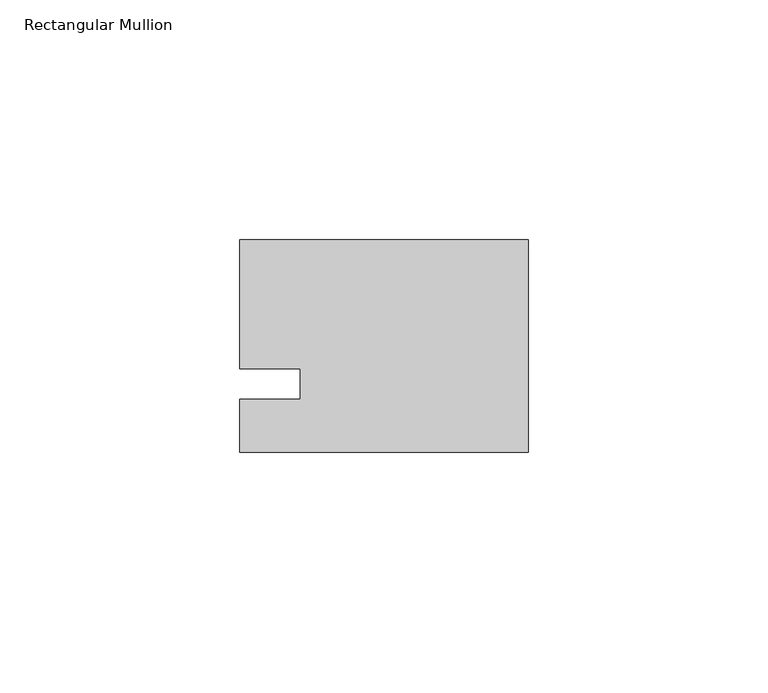
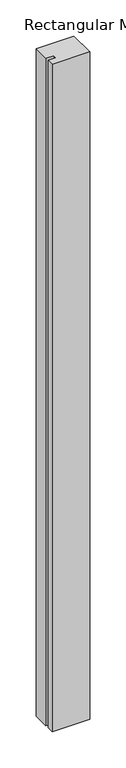
"""IFC4 building model written with IfcOpenShell, lengths in millimetres: member geometry, Rectangular Mullion."""

import ifcopenshell
import ifcopenshell.guid

model = None  # the IFC model being written
_history = None  # IfcOwnerHistory: only IFC2X3 demands one
_inside = {}  # id of a spatial element -> (the spatial element, [elements in it])
_under = {}  # id of a project, library or spatial element -> (it, [spatial elements below it])
_declared = {}  # id of a project -> (the project, [libraries it declares])
_typed = {}  # id of a type object -> (the type object, [elements of that type])
_made_of = {}  # id of a material, layer set ... -> (it, [elements and type objects made of it])


def new_model(schema):
    """Start an empty IFC model of exactly this schema.

    Asked for "IFC4X3", IfcOpenShell would pick the latest addendum, in which some entities
    have other attributes; the version numbers below select the first issue.
    IFC2X3 requires an IfcOwnerHistory on every rooted entity: one is made here for all.
    """
    global model, _history
    if schema == "IFC4X3":
        model = ifcopenshell.file(schema_version=(4, 3, 0, 0))
    else:
        model = ifcopenshell.file(schema=schema)
    _inside.clear()
    _under.clear()
    _declared.clear()
    _typed.clear()
    _made_of.clear()
    _history = None
    if model.schema == "IFC2X3":
        org = make("IfcOrganization", Name="unknown")
        user = make(
            "IfcPersonAndOrganization",
            ThePerson=make("IfcPerson", FamilyName="unknown"),
            TheOrganization=org,
        )
        app = make(
            "IfcApplication",
            ApplicationDeveloper=org,
            Version="unknown",
            ApplicationFullName="unknown",
            ApplicationIdentifier="unknown",
        )
        _history = make(
            "IfcOwnerHistory",
            OwningUser=user,
            OwningApplication=app,
            ChangeAction="ADDED",
            CreationDate=0,
        )
    return model


def make(cls, **values):
    """One entity of the class cls with the attributes given. An attribute that is None is left unset."""
    return model.create_entity(
        cls, **{name: value for name, value in values.items() if value is not None}
    )


def rooted(cls, **values):
    """An entity with a GlobalId (a new one), such as an element, a storey or a relation."""
    return make(cls, GlobalId=ifcopenshell.guid.new(), OwnerHistory=_history, **values)


def si_unit(unit_type, name, prefix=None):
    """IfcSIUnit, for example si_unit("LENGTHUNIT", "METRE", prefix="MILLI")."""
    return make("IfcSIUnit", UnitType=unit_type, Prefix=prefix, Name=name)


def assignment(units):
    """IfcUnitAssignment: the units of a project."""
    return None if units is None else make("IfcUnitAssignment", Units=units)


def point(xyz):
    """IfcCartesianPoint."""
    return None if xyz is None else make("IfcCartesianPoint", Coordinates=xyz)


def direction(xyz):
    """IfcDirection."""
    return None if xyz is None else make("IfcDirection", DirectionRatios=xyz)


def frame(location, z_axis=None, x_axis=None):
    """IfcAxis2Placement3D, a coordinate frame: its origin and axes. An axis left out is left unset."""
    return make(
        "IfcAxis2Placement3D",
        Location=point(location),
        Axis=direction(z_axis),
        RefDirection=direction(x_axis),
    )


def origin():
    """The frame at (0, 0, 0) with its axes left unset."""
    return frame((0.0, 0.0, 0.0))


def place(relative_to, where):
    """IfcLocalPlacement: puts the frame where relative to a parent placement (None: the world)."""
    return make(
        "IfcLocalPlacement", PlacementRelTo=relative_to, RelativePlacement=where
    )


def context(
    kind, dimensions, precision=None, world=None, true_north=None, identifier=None
):
    """IfcGeometricRepresentationContext, for example the 3D "Model" context."""
    return make(
        "IfcGeometricRepresentationContext",
        ContextIdentifier=identifier,
        ContextType=kind,
        CoordinateSpaceDimension=dimensions,
        Precision=precision,
        WorldCoordinateSystem=world,
        TrueNorth=true_north,
    )


def project(units=None, contexts=None):
    """IfcProject with its units and contexts."""
    return rooted(
        "IfcProject",
        Name="project",
        RepresentationContexts=contexts,
        UnitsInContext=assignment(units),
    )


def spatial(cls, under=None, at=None, **own):
    """A site, building, storey or space (cls), placed at a placement, below another one or the project."""
    s = rooted(cls, ObjectPlacement=at, **own)
    if under is not None:
        _under.setdefault(under.id(), (under, []))[1].append(s)
    return s


def polyline(points):
    """IfcPolyline through the points."""
    return make("IfcPolyline", Points=[point(p) for p in points])


def outline(outer, holes=None, kind="AREA"):
    """IfcArbitraryClosedProfileDef: a profile drawn as a closed curve; with holes, ...WithVoids."""
    if holes is None:
        return make("IfcArbitraryClosedProfileDef", ProfileType=kind, OuterCurve=outer)
    return make(
        "IfcArbitraryProfileDefWithVoids",
        ProfileType=kind,
        OuterCurve=outer,
        InnerCurves=holes,
    )


def extrude(swept, where, along, depth):
    """IfcExtrudedAreaSolid: the profile swept, set in the frame where, extruded along a direction by depth."""
    return make(
        "IfcExtrudedAreaSolid",
        SweptArea=swept,
        Position=where,
        ExtrudedDirection=direction(along),
        Depth=depth,
    )


def shape(context_of_items, identifier, shape_type, items):
    """IfcShapeRepresentation: the items that make up one representation, for example the "Body"."""
    return make(
        "IfcShapeRepresentation",
        ContextOfItems=context_of_items,
        RepresentationIdentifier=identifier,
        RepresentationType=shape_type,
        Items=items,
    )


def source(mapping_origin, context_of_items, identifier, shape_type, items):
    """IfcRepresentationMap: a shape defined once, which mapped items show again and again."""
    return make(
        "IfcRepresentationMap",
        MappingOrigin=mapping_origin,
        MappedRepresentation=shape(context_of_items, identifier, shape_type, items),
    )


def transform(
    local_origin,
    x_axis=None,
    y_axis=None,
    z_axis=None,
    scale=None,
    scale2=None,
    scale3=None,
    uniform=True,
):
    """IfcCartesianTransformationOperator3D, or its non-uniform kind. x_axis, y_axis, z_axis: its Axis1, 2, 3."""
    if uniform:
        return make(
            "IfcCartesianTransformationOperator3D",
            Axis1=direction(x_axis),
            Axis2=direction(y_axis),
            LocalOrigin=point(local_origin),
            Scale=scale,
            Axis3=direction(z_axis),
        )
    return make(
        "IfcCartesianTransformationOperator3DnonUniform",
        Axis1=direction(x_axis),
        Axis2=direction(y_axis),
        LocalOrigin=point(local_origin),
        Scale=scale,
        Axis3=direction(z_axis),
        Scale2=scale2,
        Scale3=scale3,
    )


def mapped(mapping_source, mapping_target):
    """IfcMappedItem: shows the shape of a source again, moved by a transform."""
    return make(
        "IfcMappedItem", MappingSource=mapping_source, MappingTarget=mapping_target
    )


def made_of(thing, what):
    """Note that an element or type object is made of a material, layer set ...; save() writes the relation."""
    if what is not None:
        _made_of.setdefault(what.id(), (what, []))[1].append(thing)
    return thing


def element(
    cls,
    number,
    at=None,
    inside=None,
    cuts=None,
    type_object=None,
    material=None,
    context=None,
    identifier="Body",
    shape_type=None,
    held_by="IfcProductDefinitionShape",
    body=None,
    shapes=None,
    **own,
):
    """One element of the class cls, such as IfcWall. Its Tag is "e" and its number.

    at: its placement. inside: the storey or other place that contains it. cuts: it is an
    opening in that element (IfcRelVoidsElement). A single representation is given by context,
    identifier, shape_type and body (its items); several are given by shapes. held_by: the class
    of the entity that holds the representations. save() writes the other relations.
    """
    e = rooted(cls, Tag="e%d" % number, ObjectPlacement=at, **own)
    if body is not None:
        shapes = [shape(context, identifier, shape_type, body)]
    if shapes is not None:
        e.Representation = make(held_by, Representations=shapes)
    if inside is not None:
        _inside.setdefault(inside.id(), (inside, []))[1].append(e)
    if cuts is not None:
        rooted(
            "IfcRelVoidsElement", RelatingBuildingElement=cuts, RelatedOpeningElement=e
        )
    if type_object is not None:
        _typed.setdefault(type_object.id(), (type_object, []))[1].append(e)
    return made_of(e, material)


def aggregate(whole, parts):
    """IfcRelAggregates: a whole, such as a stair, and the parts it consists of."""
    return rooted("IfcRelAggregates", RelatingObject=whole, RelatedObjects=parts)


def save(model, path):
    """Write the relations noted so far, then the file.

    IfcRelAggregates (storeys below a building ...), IfcRelContainedInSpatialStructure (elements
    in a storey), IfcRelDefinesByType, IfcRelAssociatesMaterial and IfcRelDeclares: one each for
    every whole, place, type object, material and project.
    """
    for whole, parts in _under.values():
        aggregate(whole, parts)
    for where, things in _inside.values():
        rooted(
            "IfcRelContainedInSpatialStructure",
            RelatedElements=things,
            RelatingStructure=where,
        )
    for kind, things in _typed.values():
        rooted("IfcRelDefinesByType", RelatedObjects=things, RelatingType=kind)
    for what, things in _made_of.values():
        rooted("IfcRelAssociatesMaterial", RelatedObjects=things, RelatingMaterial=what)
    for by, libraries in _declared.values():
        rooted("IfcRelDeclares", RelatingContext=by, RelatedDefinitions=libraries)
    model.write(path)


def rectangular_mullion_649fe922(model_context):
    return source(origin(), model_context, "Body", "SweptSolid", [
        extrude(outline(polyline([(-60.325, 30.1625), (0.0, 30.1625), (0.0, -14.2875), (-60.325, -14.2875), (-60.325, -3.175), (-47.625, -3.175), (-47.625, 3.175), (-60.325, 3.175), (-60.325, 30.1625)])), frame((0.0, 0.0, -1130.3), z_axis=(0.0, 0.0, 1.0), x_axis=(1.0, 0.0, 0.0)), (0.0, 0.0, 1.0), 1130.3),
    ])


if __name__ == "__main__":
    model = new_model("IFC4")
    model_context = context("Model", 3, world=origin())
    ifc_project = project(units=[si_unit("LENGTHUNIT", "METRE", prefix="MILLI")], contexts=[model_context])
    site = spatial("IfcSite", under=ifc_project)
    building = spatial("IfcBuilding", under=site)
    placement = place(None, origin())
    rectangular_mullion_shape = rectangular_mullion_649fe922(model_context)
    element("IfcMember", 1, ObjectType="Rectangular Mullion", at=placement, inside=building, context=model_context, shape_type="MappedRepresentation", body=[
        mapped(rectangular_mullion_shape, transform((0.0, 0.0, 0.0), x_axis=(1.0, 0.0, 0.0), y_axis=(0.0, 1.0, 0.0), z_axis=(0.0, 0.0, 1.0))),
    ])
    save(model, "model.ifc")
